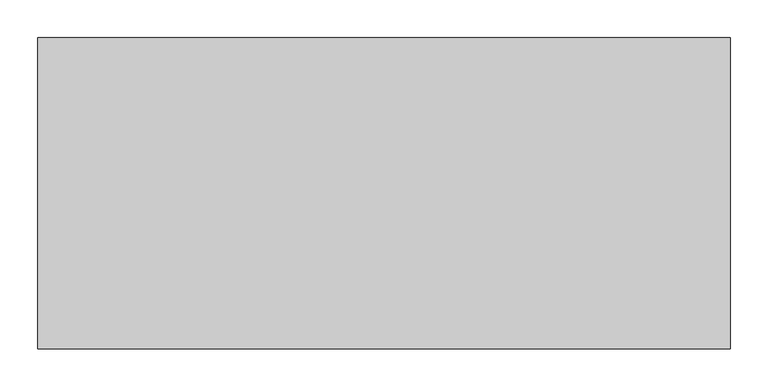
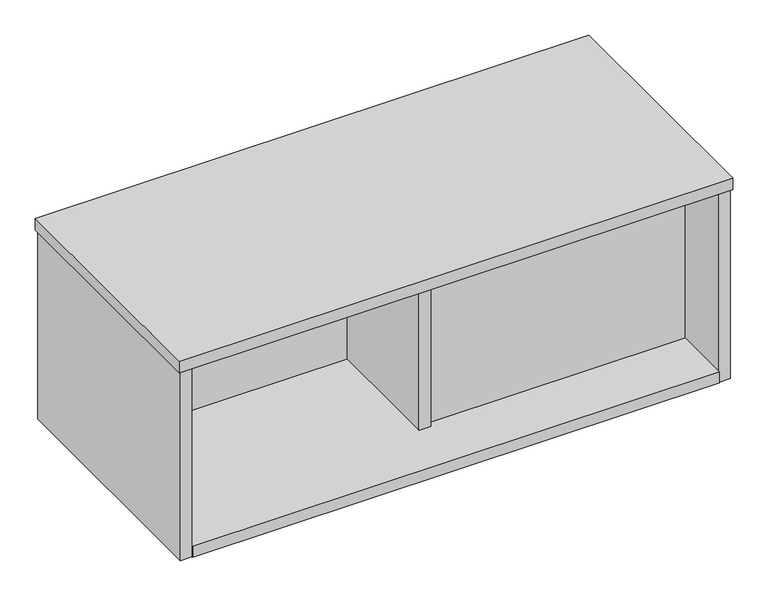
"""IFC4 building model written with IfcOpenShell, lengths in millimetres: furniture geometry."""

import ifcopenshell
import ifcopenshell.guid

model = None  # the IFC model being written
_history = None  # IfcOwnerHistory: only IFC2X3 demands one
_inside = {}  # id of a spatial element -> (the spatial element, [elements in it])
_under = {}  # id of a project, library or spatial element -> (it, [spatial elements below it])
_declared = {}  # id of a project -> (the project, [libraries it declares])
_typed = {}  # id of a type object -> (the type object, [elements of that type])
_made_of = {}  # id of a material, layer set ... -> (it, [elements and type objects made of it])


def new_model(schema):
    """Start an empty IFC model of exactly this schema.

    Asked for "IFC4X3", IfcOpenShell would pick the latest addendum, in which some entities
    have other attributes; the version numbers below select the first issue.
    IFC2X3 requires an IfcOwnerHistory on every rooted entity: one is made here for all.
    """
    global model, _history
    if schema == "IFC4X3":
        model = ifcopenshell.file(schema_version=(4, 3, 0, 0))
    else:
        model = ifcopenshell.file(schema=schema)
    _inside.clear()
    _under.clear()
    _declared.clear()
    _typed.clear()
    _made_of.clear()
    _history = None
    if model.schema == "IFC2X3":
        org = make("IfcOrganization", Name="unknown")
        user = make(
            "IfcPersonAndOrganization",
            ThePerson=make("IfcPerson", FamilyName="unknown"),
            TheOrganization=org,
        )
        app = make(
            "IfcApplication",
            ApplicationDeveloper=org,
            Version="unknown",
            ApplicationFullName="unknown",
            ApplicationIdentifier="unknown",
        )
        _history = make(
            "IfcOwnerHistory",
            OwningUser=user,
            OwningApplication=app,
            ChangeAction="ADDED",
            CreationDate=0,
        )
    return model


def make(cls, **values):
    """One entity of the class cls with the attributes given. An attribute that is None is left unset."""
    return model.create_entity(
        cls, **{name: value for name, value in values.items() if value is not None}
    )


def rooted(cls, **values):
    """An entity with a GlobalId (a new one), such as an element, a storey or a relation."""
    return make(cls, GlobalId=ifcopenshell.guid.new(), OwnerHistory=_history, **values)


def si_unit(unit_type, name, prefix=None):
    """IfcSIUnit, for example si_unit("LENGTHUNIT", "METRE", prefix="MILLI")."""
    return make("IfcSIUnit", UnitType=unit_type, Prefix=prefix, Name=name)


def assignment(units):
    """IfcUnitAssignment: the units of a project."""
    return None if units is None else make("IfcUnitAssignment", Units=units)


def point(xyz):
    """IfcCartesianPoint."""
    return None if xyz is None else make("IfcCartesianPoint", Coordinates=xyz)


def direction(xyz):
    """IfcDirection."""
    return None if xyz is None else make("IfcDirection", DirectionRatios=xyz)


def frame(location, z_axis=None, x_axis=None):
    """IfcAxis2Placement3D, a coordinate frame: its origin and axes. An axis left out is left unset."""
    return make(
        "IfcAxis2Placement3D",
        Location=point(location),
        Axis=direction(z_axis),
        RefDirection=direction(x_axis),
    )


def origin():
    """The frame at (0, 0, 0) with its axes left unset."""
    return frame((0.0, 0.0, 0.0))


def place(relative_to, where):
    """IfcLocalPlacement: puts the frame where relative to a parent placement (None: the world)."""
    return make(
        "IfcLocalPlacement", PlacementRelTo=relative_to, RelativePlacement=where
    )


def context(
    kind, dimensions, precision=None, world=None, true_north=None, identifier=None
):
    """IfcGeometricRepresentationContext, for example the 3D "Model" context."""
    return make(
        "IfcGeometricRepresentationContext",
        ContextIdentifier=identifier,
        ContextType=kind,
        CoordinateSpaceDimension=dimensions,
        Precision=precision,
        WorldCoordinateSystem=world,
        TrueNorth=true_north,
    )


def project(units=None, contexts=None):
    """IfcProject with its units and contexts."""
    return rooted(
        "IfcProject",
        Name="project",
        RepresentationContexts=contexts,
        UnitsInContext=assignment(units),
    )


def spatial(cls, under=None, at=None, **own):
    """A site, building, storey or space (cls), placed at a placement, below another one or the project."""
    s = rooted(cls, ObjectPlacement=at, **own)
    if under is not None:
        _under.setdefault(under.id(), (under, []))[1].append(s)
    return s


def polyline(points):
    """IfcPolyline through the points."""
    return make("IfcPolyline", Points=[point(p) for p in points])


def outline(outer, holes=None, kind="AREA"):
    """IfcArbitraryClosedProfileDef: a profile drawn as a closed curve; with holes, ...WithVoids."""
    if holes is None:
        return make("IfcArbitraryClosedProfileDef", ProfileType=kind, OuterCurve=outer)
    return make(
        "IfcArbitraryProfileDefWithVoids",
        ProfileType=kind,
        OuterCurve=outer,
        InnerCurves=holes,
    )


def extrude(swept, where, along, depth):
    """IfcExtrudedAreaSolid: the profile swept, set in the frame where, extruded along a direction by depth."""
    return make(
        "IfcExtrudedAreaSolid",
        SweptArea=swept,
        Position=where,
        ExtrudedDirection=direction(along),
        Depth=depth,
    )


def shape(context_of_items, identifier, shape_type, items):
    """IfcShapeRepresentation: the items that make up one representation, for example the "Body"."""
    return make(
        "IfcShapeRepresentation",
        ContextOfItems=context_of_items,
        RepresentationIdentifier=identifier,
        RepresentationType=shape_type,
        Items=items,
    )


def source(mapping_origin, context_of_items, identifier, shape_type, items):
    """IfcRepresentationMap: a shape defined once, which mapped items show again and again."""
    return make(
        "IfcRepresentationMap",
        MappingOrigin=mapping_origin,
        MappedRepresentation=shape(context_of_items, identifier, shape_type, items),
    )


def transform(
    local_origin,
    x_axis=None,
    y_axis=None,
    z_axis=None,
    scale=None,
    scale2=None,
    scale3=None,
    uniform=True,
):
    """IfcCartesianTransformationOperator3D, or its non-uniform kind. x_axis, y_axis, z_axis: its Axis1, 2, 3."""
    if uniform:
        return make(
            "IfcCartesianTransformationOperator3D",
            Axis1=direction(x_axis),
            Axis2=direction(y_axis),
            LocalOrigin=point(local_origin),
            Scale=scale,
            Axis3=direction(z_axis),
        )
    return make(
        "IfcCartesianTransformationOperator3DnonUniform",
        Axis1=direction(x_axis),
        Axis2=direction(y_axis),
        LocalOrigin=point(local_origin),
        Scale=scale,
        Axis3=direction(z_axis),
        Scale2=scale2,
        Scale3=scale3,
    )


def mapped(mapping_source, mapping_target):
    """IfcMappedItem: shows the shape of a source again, moved by a transform."""
    return make(
        "IfcMappedItem", MappingSource=mapping_source, MappingTarget=mapping_target
    )


def made_of(thing, what):
    """Note that an element or type object is made of a material, layer set ...; save() writes the relation."""
    if what is not None:
        _made_of.setdefault(what.id(), (what, []))[1].append(thing)
    return thing


def element(
    cls,
    number,
    at=None,
    inside=None,
    cuts=None,
    type_object=None,
    material=None,
    context=None,
    identifier="Body",
    shape_type=None,
    held_by="IfcProductDefinitionShape",
    body=None,
    shapes=None,
    **own,
):
    """One element of the class cls, such as IfcWall. Its Tag is "e" and its number.

    at: its placement. inside: the storey or other place that contains it. cuts: it is an
    opening in that element (IfcRelVoidsElement). A single representation is given by context,
    identifier, shape_type and body (its items); several are given by shapes. held_by: the class
    of the entity that holds the representations. save() writes the other relations.
    """
    e = rooted(cls, Tag="e%d" % number, ObjectPlacement=at, **own)
    if body is not None:
        shapes = [shape(context, identifier, shape_type, body)]
    if shapes is not None:
        e.Representation = make(held_by, Representations=shapes)
    if inside is not None:
        _inside.setdefault(inside.id(), (inside, []))[1].append(e)
    if cuts is not None:
        rooted(
            "IfcRelVoidsElement", RelatingBuildingElement=cuts, RelatedOpeningElement=e
        )
    if type_object is not None:
        _typed.setdefault(type_object.id(), (type_object, []))[1].append(e)
    return made_of(e, material)


def aggregate(whole, parts):
    """IfcRelAggregates: a whole, such as a stair, and the parts it consists of."""
    return rooted("IfcRelAggregates", RelatingObject=whole, RelatedObjects=parts)


def save(model, path):
    """Write the relations noted so far, then the file.

    IfcRelAggregates (storeys below a building ...), IfcRelContainedInSpatialStructure (elements
    in a storey), IfcRelDefinesByType, IfcRelAssociatesMaterial and IfcRelDeclares: one each for
    every whole, place, type object, material and project.
    """
    for whole, parts in _under.values():
        aggregate(whole, parts)
    for where, things in _inside.values():
        rooted(
            "IfcRelContainedInSpatialStructure",
            RelatedElements=things,
            RelatingStructure=where,
        )
    for kind, things in _typed.values():
        rooted("IfcRelDefinesByType", RelatedObjects=things, RelatingType=kind)
    for what, things in _made_of.values():
        rooted("IfcRelAssociatesMaterial", RelatedObjects=things, RelatingMaterial=what)
    for by, libraries in _declared.values():
        rooted("IfcRelDeclares", RelatingContext=by, RelatedDefinitions=libraries)
    model.write(path)


def furniture_1da78c6a(model_context):
    return source(origin(), model_context, "Body", "SweptSolid", [
        extrude(outline(polyline([(465.3279922, -116.4462961), (446.0239925, -116.4462961), (446.0239925, 116.4462961), (465.3279922, 116.4462961), (465.3279922, -116.4462961)])), frame((0.0, 0.0, 818.9188368), z_axis=(0.0, 0.0, 1.0), x_axis=(1.0, 0.0, 0.0)), (0.0, 0.0, 1.0), 309.8291988),
        extrude(outline(polyline([(896.0103885, -107.2006961), (457.2, -107.2006961), (457.2, -87.8876428), (896.0103885, -87.8876428), (896.0103885, -107.2006961)])), frame((0.0, 0.0, 818.9188368), z_axis=(0.0, 0.0, 1.0), x_axis=(1.0, 0.0, 0.0)), (0.0, 0.0, 1.0), 309.8291988),
        extrude(outline(polyline([(15.3415997, 107.2006961), (453.0343931, 107.2006961), (453.0343931, 87.8966963), (15.3415997, 87.8966963), (15.3415997, 107.2006961)])), frame((0.0, 0.0, 818.9188368), z_axis=(0.0, 0.0, 1.0), x_axis=(1.0, 0.0, 0.0)), (0.0, 0.0, 1.0), 309.8291988),
        extrude(outline(polyline([(888.9999879, -205.0922961), (22.3519991, -205.0922961), (22.3519991, 205.0922961), (888.9999879, 205.0922961), (888.9999879, -205.0922961)])), frame((0.0, 0.0, 799.6148552), z_axis=(0.0, 0.0, 1.0), x_axis=(1.0, 0.0, 0.0)), (0.0, 0.0, 1.0), 19.3039816),
        extrude(outline(polyline([(908.3040058, -203.2), (888.9999879, -203.2), (888.9999879, 203.2), (908.3040058, 203.2), (908.3040058, -203.2)])), frame((0.0, 0.0, 799.6148552), z_axis=(0.0, 0.0, 1.0), x_axis=(1.0, 0.0, 0.0)), (0.0, 0.0, 1.0), 329.1331804),
        extrude(outline(polyline([(22.3519991, -203.2), (3.0479999, -203.2), (3.0479999, 203.2), (22.3519991, 203.2), (22.3519991, -203.2)])), frame((0.0, 0.0, 799.6148552), z_axis=(0.0, 0.0, 1.0), x_axis=(1.0, 0.0, 0.0)), (0.0, 0.0, 1.0), 329.1331804),
        extrude(outline(polyline([(911.3520029, 205.0922961), (911.3520029, -205.0922961), (0.0, -205.0922961), (0.0, 205.0922961), (911.3520029, 205.0922961)])), frame((0.0, 0.0, 1128.7480356), z_axis=(0.0, 0.0, 1.0), x_axis=(1.0, 0.0, 0.0)), (0.0, 0.0, 1.0), 20.1168196),
    ])


if __name__ == "__main__":
    model = new_model("IFC4")
    model_context = context("Model", 3, world=origin())
    ifc_project = project(units=[si_unit("LENGTHUNIT", "METRE", prefix="MILLI")], contexts=[model_context])
    site = spatial("IfcSite", under=ifc_project)
    building = spatial("IfcBuilding", under=site)
    placement = place(None, origin())
    furniture_shape = furniture_1da78c6a(model_context)
    element("IfcFurniture", 1, at=placement, inside=building, context=model_context, shape_type="MappedRepresentation", body=[
        mapped(furniture_shape, transform((0.0, 0.0, 0.0), x_axis=(1.0, 0.0, 0.0), y_axis=(0.0, 1.0, 0.0), z_axis=(0.0, 0.0, 1.0))),
    ])
    save(model, "model.ifc")
